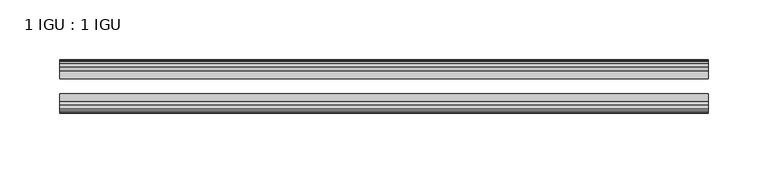
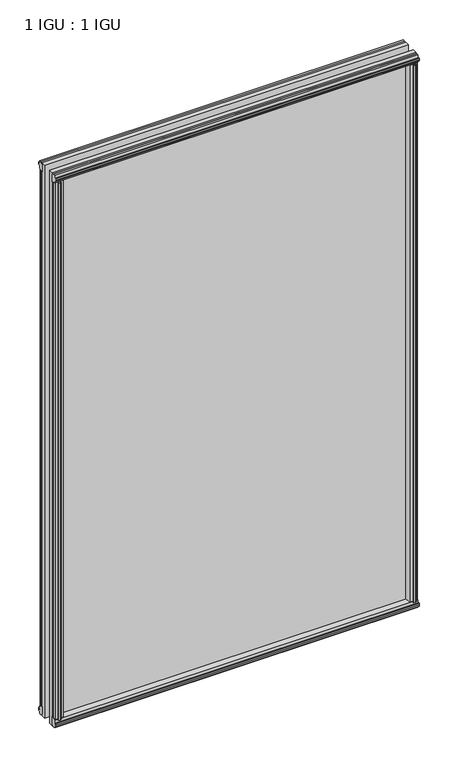
"""IFC4 building model written with IfcOpenShell, lengths in millimetres: plate geometry, 1 IGU : 1 IGU."""

from ifc_helpers import new_model, si_unit, frame, origin, origin_with_axes, place, context, project, spatial, polyline, outline, extrude, source, transform, mapped, element, save


def plate_1_igu_1_igu_a5429fe1(model_context):
    return source(origin(), model_context, "Body", "SweptSolid", [
        extrude(outline(polyline([(258.3688915, -19.5460937), (260.4741686, -13.1960937), (265.681363, -13.1960937), (266.062363, -10.8158968), (264.646834, -11.27583), (264.646834, -10.4746158), (266.824363, -9.7670937), (269.0018921, -10.4746158), (269.0018921, -11.27583), (267.586363, -10.8158968), (267.967363, -13.1960937), (272.412363, -13.1960937), (272.412363, -16.1419073), (270.1992855, -19.5460937), (258.3688915, -19.5460937)])), origin_with_axes(), (0.0, 0.0, 1.0), 850.9),
        extrude(outline(polyline([(-258.3688915, -19.5460937), (-270.1992855, -19.5460937), (-272.412363, -16.1419073), (-272.412363, -13.1960937), (-267.967363, -13.1960937), (-267.586363, -10.8158968), (-269.0018921, -11.27583), (-269.0018921, -10.4746158), (-266.824363, -9.7670937), (-264.646834, -10.4746158), (-264.646834, -11.27583), (-266.062363, -10.8158968), (-265.681363, -13.1960937), (-260.4741686, -13.1960937), (-258.3688915, -19.5460937)])), origin_with_axes(), (0.0, 0.0, 1.0), 850.9),
        extrude(outline(polyline([(-16.1419073, -12.4576852), (-19.5460937, -10.2446077), (-19.5460937, 1.5857863), (-13.1960937, -0.5194908), (-13.1960937, -5.7266852), (-10.8158968, -6.1076852), (-11.27583, -4.6921562), (-10.4746158, -4.6921562), (-9.7670937, -6.8696852), (-10.4746158, -9.0472143), (-11.27583, -9.0472143), (-10.8158968, -7.6316852), (-13.1960937, -8.0126852), (-13.1960937, -12.4576852), (-16.1419073, -12.4576852)])), frame((-272.6546778, 0.0, 0.0), z_axis=(1.0, 0.0, 0.0), x_axis=(0.0, 1.0, 0.0)), (0.0, 0.0, 1.0), 545.3093556),
        extrude(outline(polyline([(-48.3502802, -11.938), (-51.2960937, -11.938), (-51.2960937, -7.493), (-53.6762907, -7.112), (-53.2163575, -8.5275291), (-54.0175717, -8.5275291), (-54.7250937, -6.35), (-54.0175717, -4.172471), (-53.2163575, -4.172471), (-53.6762907, -5.588), (-51.2960937, -5.207), (-51.2960937, 0.0001944), (-44.9460937, 2.1054715), (-44.9460937, -9.7249225), (-48.3502802, -11.938)])), frame((-272.6546778, 0.0, 0.0), z_axis=(1.0, 0.0, 0.0), x_axis=(0.0, 1.0, 0.0)), (0.0, 0.0, 1.0), 545.3093556),
        extrude(outline(polyline([(-16.1028367, 863.3576852), (-13.1960937, 863.3576852), (-13.1960937, 858.9126852), (-10.8158968, 858.5316852), (-11.27583, 859.9472143), (-10.4746158, 859.9472143), (-9.7670937, 857.7696852), (-10.4746158, 855.5921562), (-11.27583, 855.5921562), (-10.8158968, 857.0076852), (-13.1960937, 856.6266852), (-13.1960937, 851.3940908), (-19.5460937, 849.2888137), (-19.5460937, 861.1192077), (-16.1028367, 863.3576852)])), frame((-272.6546778, 0.0, 0.0), z_axis=(1.0, 0.0, 0.0), x_axis=(0.0, 1.0, 0.0)), (0.0, 0.0, 1.0), 545.3093556),
        extrude(outline(polyline([(-48.3893508, 862.8126), (-44.9460937, 860.5741225), (-44.9460937, 848.7437285), (-51.2960937, 850.8490056), (-51.2960937, 856.0816), (-53.6762907, 856.4626), (-53.2163575, 855.047071), (-54.0175717, 855.047071), (-54.7250938, 857.2246), (-54.0175717, 859.4021291), (-53.2163575, 859.4021291), (-53.6762907, 857.9866), (-51.2960937, 858.3676), (-51.2960937, 862.8126), (-48.3893508, 862.8126)])), frame((-272.6546778, 0.0, 0.0), z_axis=(1.0, 0.0, 0.0), x_axis=(0.0, 1.0, 0.0)), (0.0, 0.0, 1.0), 545.3093556),
        extrude(outline(polyline([(-257.8492063, -44.9460938), (-259.9544834, -51.2960938), (-265.1616778, -51.2960938), (-265.5426778, -53.6762907), (-264.1271487, -53.2163575), (-264.1271487, -54.0175717), (-266.3046778, -54.7250938), (-268.4822068, -54.0175717), (-268.4822068, -53.2163575), (-267.0666778, -53.6762907), (-267.4476778, -51.2960938), (-271.8926778, -51.2960938), (-271.8926778, -48.3502802), (-269.6796003, -44.9460938), (-257.8492063, -44.9460938)])), origin_with_axes(), (0.0, 0.0, 1.0), 850.9),
        extrude(outline(polyline([(257.8492063, -44.9460938), (269.6796003, -44.9460938), (271.8926778, -48.3502802), (271.8926778, -51.2960938), (267.4476778, -51.2960938), (267.0666778, -53.6762907), (268.4822068, -53.2163575), (268.4822068, -54.0175717), (266.3046778, -54.7250938), (264.1271487, -54.0175717), (264.1271487, -53.2163575), (265.5426778, -53.6762907), (265.1616778, -51.2960938), (259.9544834, -51.2960938), (257.8492063, -44.9460938)])), origin_with_axes(), (0.0, 0.0, 1.0), 850.9),
        extrude(outline(polyline([(272.6546778, -19.5460937), (272.6546778, -25.8337453), (-272.6546778, -25.8337453), (-272.6546778, -19.5460937), (272.6546778, -19.5460937)])), frame((0.0, 0.0, -12.7), z_axis=(0.0, 0.0, 1.0), x_axis=(1.0, 0.0, 0.0)), (0.0, 0.0, 1.0), 876.2872998),
        extrude(outline(polyline([(-272.6546778, -44.9460937), (-272.6546778, -38.6468938), (272.6546778, -38.6468938), (272.6546778, -44.9460937), (-272.6546778, -44.9460937)])), frame((0.0, 0.0, -12.7), z_axis=(0.0, 0.0, 1.0), x_axis=(1.0, 0.0, 0.0)), (0.0, 0.0, 1.0), 876.2872998),
    ])


if __name__ == "__main__":
    model = new_model("IFC4")
    model_context = context("Model", 3, world=origin())
    ifc_project = project(units=[si_unit("LENGTHUNIT", "METRE", prefix="MILLI")], contexts=[model_context])
    site = spatial("IfcSite", under=ifc_project)
    building = spatial("IfcBuilding", under=site)
    placement = place(None, origin())
    plate_1_igu_1_igu_shape = plate_1_igu_1_igu_a5429fe1(model_context)
    element("IfcPlate", 1, ObjectType="1 IGU : 1 IGU", at=placement, inside=building, context=model_context, shape_type="MappedRepresentation", body=[
        mapped(plate_1_igu_1_igu_shape, transform((0.0, 0.0, 0.0), x_axis=(1.0, 0.0, 0.0), y_axis=(0.0, 1.0, 0.0), z_axis=(0.0, 0.0, 1.0))),
    ])
    save(model, "model.ifc")
